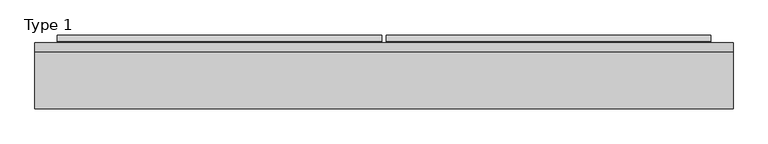
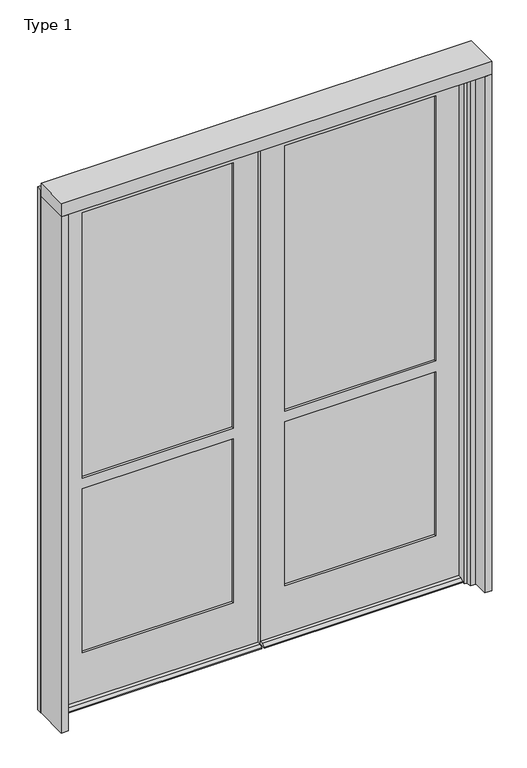
"""IFC4 building model written with IfcOpenShell, lengths in millimetres: plate geometry, Type 1."""

import ifcopenshell
import ifcopenshell.guid

model = None  # the IFC model being written
_history = None  # IfcOwnerHistory: only IFC2X3 demands one
_inside = {}  # id of a spatial element -> (the spatial element, [elements in it])
_under = {}  # id of a project, library or spatial element -> (it, [spatial elements below it])
_declared = {}  # id of a project -> (the project, [libraries it declares])
_typed = {}  # id of a type object -> (the type object, [elements of that type])
_made_of = {}  # id of a material, layer set ... -> (it, [elements and type objects made of it])


def new_model(schema):
    """Start an empty IFC model of exactly this schema.

    Asked for "IFC4X3", IfcOpenShell would pick the latest addendum, in which some entities
    have other attributes; the version numbers below select the first issue.
    IFC2X3 requires an IfcOwnerHistory on every rooted entity: one is made here for all.
    """
    global model, _history
    if schema == "IFC4X3":
        model = ifcopenshell.file(schema_version=(4, 3, 0, 0))
    else:
        model = ifcopenshell.file(schema=schema)
    _inside.clear()
    _under.clear()
    _declared.clear()
    _typed.clear()
    _made_of.clear()
    _history = None
    if model.schema == "IFC2X3":
        org = make("IfcOrganization", Name="unknown")
        user = make(
            "IfcPersonAndOrganization",
            ThePerson=make("IfcPerson", FamilyName="unknown"),
            TheOrganization=org,
        )
        app = make(
            "IfcApplication",
            ApplicationDeveloper=org,
            Version="unknown",
            ApplicationFullName="unknown",
            ApplicationIdentifier="unknown",
        )
        _history = make(
            "IfcOwnerHistory",
            OwningUser=user,
            OwningApplication=app,
            ChangeAction="ADDED",
            CreationDate=0,
        )
    return model


def make(cls, **values):
    """One entity of the class cls with the attributes given. An attribute that is None is left unset."""
    return model.create_entity(
        cls, **{name: value for name, value in values.items() if value is not None}
    )


def rooted(cls, **values):
    """An entity with a GlobalId (a new one), such as an element, a storey or a relation."""
    return make(cls, GlobalId=ifcopenshell.guid.new(), OwnerHistory=_history, **values)


def si_unit(unit_type, name, prefix=None):
    """IfcSIUnit, for example si_unit("LENGTHUNIT", "METRE", prefix="MILLI")."""
    return make("IfcSIUnit", UnitType=unit_type, Prefix=prefix, Name=name)


def assignment(units):
    """IfcUnitAssignment: the units of a project."""
    return None if units is None else make("IfcUnitAssignment", Units=units)


def point(xyz):
    """IfcCartesianPoint."""
    return None if xyz is None else make("IfcCartesianPoint", Coordinates=xyz)


def direction(xyz):
    """IfcDirection."""
    return None if xyz is None else make("IfcDirection", DirectionRatios=xyz)


def frame(location, z_axis=None, x_axis=None):
    """IfcAxis2Placement3D, a coordinate frame: its origin and axes. An axis left out is left unset."""
    return make(
        "IfcAxis2Placement3D",
        Location=point(location),
        Axis=direction(z_axis),
        RefDirection=direction(x_axis),
    )


def origin():
    """The frame at (0, 0, 0) with its axes left unset."""
    return frame((0.0, 0.0, 0.0))


def place(relative_to, where):
    """IfcLocalPlacement: puts the frame where relative to a parent placement (None: the world)."""
    return make(
        "IfcLocalPlacement", PlacementRelTo=relative_to, RelativePlacement=where
    )


def context(
    kind, dimensions, precision=None, world=None, true_north=None, identifier=None
):
    """IfcGeometricRepresentationContext, for example the 3D "Model" context."""
    return make(
        "IfcGeometricRepresentationContext",
        ContextIdentifier=identifier,
        ContextType=kind,
        CoordinateSpaceDimension=dimensions,
        Precision=precision,
        WorldCoordinateSystem=world,
        TrueNorth=true_north,
    )


def project(units=None, contexts=None):
    """IfcProject with its units and contexts."""
    return rooted(
        "IfcProject",
        Name="project",
        RepresentationContexts=contexts,
        UnitsInContext=assignment(units),
    )


def spatial(cls, under=None, at=None, **own):
    """A site, building, storey or space (cls), placed at a placement, below another one or the project."""
    s = rooted(cls, ObjectPlacement=at, **own)
    if under is not None:
        _under.setdefault(under.id(), (under, []))[1].append(s)
    return s


def polyline(points):
    """IfcPolyline through the points."""
    return make("IfcPolyline", Points=[point(p) for p in points])


def circle_curve(where, radius):
    """IfcCircle in the frame where."""
    return make("IfcCircle", Position=where, Radius=radius)


def outline(outer, holes=None, kind="AREA"):
    """IfcArbitraryClosedProfileDef: a profile drawn as a closed curve; with holes, ...WithVoids."""
    if holes is None:
        return make("IfcArbitraryClosedProfileDef", ProfileType=kind, OuterCurve=outer)
    return make(
        "IfcArbitraryProfileDefWithVoids",
        ProfileType=kind,
        OuterCurve=outer,
        InnerCurves=holes,
    )


def extrude(swept, where, along, depth):
    """IfcExtrudedAreaSolid: the profile swept, set in the frame where, extruded along a direction by depth."""
    return make(
        "IfcExtrudedAreaSolid",
        SweptArea=swept,
        Position=where,
        ExtrudedDirection=direction(along),
        Depth=depth,
    )


def faces_of(points, faces, orient=None, outer=None):
    """IfcFace entities. A face is a list of loops; a loop is a list of indices into points, from 0.

    orient and outer hold one flag for each loop. By default every Orientation is true, the
    first loop of a face is its IfcFaceOuterBound and the others are IfcFaceBound.
    """
    made = []
    for i, loops in enumerate(faces):
        bounds = []
        for j, loop in enumerate(loops):
            is_outer = j == 0 if outer is None else outer[i][j]
            bounds.append(
                make(
                    "IfcFaceOuterBound" if is_outer else "IfcFaceBound",
                    Bound=make("IfcPolyLoop", Polygon=[points[k] for k in loop]),
                    Orientation=True if orient is None else orient[i][j],
                )
            )
        made.append(make("IfcFace", Bounds=bounds))
    return made


def faceted_brep(points, faces, orient=None, outer=None, voids=None):
    """IfcFacetedBrep: a solid bounded by flat faces; with voids (closed shells), ...WithVoids."""
    shared = [point(p) for p in points]
    hull = make("IfcClosedShell", CfsFaces=faces_of(shared, faces, orient, outer))
    if voids is None:
        return make("IfcFacetedBrep", Outer=hull)
    return make(
        "IfcFacetedBrepWithVoids",
        Outer=hull,
        Voids=[
            make(cls, CfsFaces=faces_of(shared, fs, o, b)) for cls, fs, o, b in voids
        ],
    )


def shape(context_of_items, identifier, shape_type, items):
    """IfcShapeRepresentation: the items that make up one representation, for example the "Body"."""
    return make(
        "IfcShapeRepresentation",
        ContextOfItems=context_of_items,
        RepresentationIdentifier=identifier,
        RepresentationType=shape_type,
        Items=items,
    )


def source(mapping_origin, context_of_items, identifier, shape_type, items):
    """IfcRepresentationMap: a shape defined once, which mapped items show again and again."""
    return make(
        "IfcRepresentationMap",
        MappingOrigin=mapping_origin,
        MappedRepresentation=shape(context_of_items, identifier, shape_type, items),
    )


def transform(
    local_origin,
    x_axis=None,
    y_axis=None,
    z_axis=None,
    scale=None,
    scale2=None,
    scale3=None,
    uniform=True,
):
    """IfcCartesianTransformationOperator3D, or its non-uniform kind. x_axis, y_axis, z_axis: its Axis1, 2, 3."""
    if uniform:
        return make(
            "IfcCartesianTransformationOperator3D",
            Axis1=direction(x_axis),
            Axis2=direction(y_axis),
            LocalOrigin=point(local_origin),
            Scale=scale,
            Axis3=direction(z_axis),
        )
    return make(
        "IfcCartesianTransformationOperator3DnonUniform",
        Axis1=direction(x_axis),
        Axis2=direction(y_axis),
        LocalOrigin=point(local_origin),
        Scale=scale,
        Axis3=direction(z_axis),
        Scale2=scale2,
        Scale3=scale3,
    )


def mapped(mapping_source, mapping_target):
    """IfcMappedItem: shows the shape of a source again, moved by a transform."""
    return make(
        "IfcMappedItem", MappingSource=mapping_source, MappingTarget=mapping_target
    )


def made_of(thing, what):
    """Note that an element or type object is made of a material, layer set ...; save() writes the relation."""
    if what is not None:
        _made_of.setdefault(what.id(), (what, []))[1].append(thing)
    return thing


def element(
    cls,
    number,
    at=None,
    inside=None,
    cuts=None,
    type_object=None,
    material=None,
    context=None,
    identifier="Body",
    shape_type=None,
    held_by="IfcProductDefinitionShape",
    body=None,
    shapes=None,
    **own,
):
    """One element of the class cls, such as IfcWall. Its Tag is "e" and its number.

    at: its placement. inside: the storey or other place that contains it. cuts: it is an
    opening in that element (IfcRelVoidsElement). A single representation is given by context,
    identifier, shape_type and body (its items); several are given by shapes. held_by: the class
    of the entity that holds the representations. save() writes the other relations.
    """
    e = rooted(cls, Tag="e%d" % number, ObjectPlacement=at, **own)
    if body is not None:
        shapes = [shape(context, identifier, shape_type, body)]
    if shapes is not None:
        e.Representation = make(held_by, Representations=shapes)
    if inside is not None:
        _inside.setdefault(inside.id(), (inside, []))[1].append(e)
    if cuts is not None:
        rooted(
            "IfcRelVoidsElement", RelatingBuildingElement=cuts, RelatedOpeningElement=e
        )
    if type_object is not None:
        _typed.setdefault(type_object.id(), (type_object, []))[1].append(e)
    return made_of(e, material)


def aggregate(whole, parts):
    """IfcRelAggregates: a whole, such as a stair, and the parts it consists of."""
    return rooted("IfcRelAggregates", RelatingObject=whole, RelatedObjects=parts)


def save(model, path):
    """Write the relations noted so far, then the file.

    IfcRelAggregates (storeys below a building ...), IfcRelContainedInSpatialStructure (elements
    in a storey), IfcRelDefinesByType, IfcRelAssociatesMaterial and IfcRelDeclares: one each for
    every whole, place, type object, material and project.
    """
    for whole, parts in _under.values():
        aggregate(whole, parts)
    for where, things in _inside.values():
        rooted(
            "IfcRelContainedInSpatialStructure",
            RelatedElements=things,
            RelatingStructure=where,
        )
    for kind, things in _typed.values():
        rooted("IfcRelDefinesByType", RelatedObjects=things, RelatingType=kind)
    for what, things in _made_of.values():
        rooted("IfcRelAssociatesMaterial", RelatedObjects=things, RelatingMaterial=what)
    for by, libraries in _declared.values():
        rooted("IfcRelDeclares", RelatingContext=by, RelatedDefinitions=libraries)
    model.write(path)


def plane_surface(at):
    """IfcPlane: the flat surface through the origin of the frame at, square to its z axis."""
    return make("IfcPlane", Position=at)


def cylinder_surface(at, radius):
    """IfcCylindricalSurface: all points at the distance radius from the z axis of the frame at."""
    return make("IfcCylindricalSurface", Position=at, Radius=radius)


def advanced_brep(points, edges, surfaces, faces):
    """IfcAdvancedBrep: a solid bounded by faces that lie on surfaces and meet in shared edges.

    An edge is (start, end): straight between two places in points (the first is 0);
    or (start, end, curve); or (start, end, curve, False) where it runs against its curve.
    A face is (place in surfaces, loops), or (place, loops, False) where it looks against
    its surface's normal. A loop lists edges by number (the first is 1), with a minus sign
    where the edge is run from its end to its start. The first loop is the outer one.
    """
    corners = [point(p) for p in points]
    vertices = [make("IfcVertexPoint", VertexGeometry=c) for c in corners]
    made = []
    for start, end, *more in edges:
        made.append(
            make(
                "IfcEdgeCurve",
                EdgeStart=vertices[start],
                EdgeEnd=vertices[end],
                EdgeGeometry=more[0] if more else make("IfcPolyline", Points=[corners[start], corners[end]]),
                SameSense=more[1] if len(more) > 1 else True,
            )
        )
    hull = []
    for where, loops, *sense in faces:
        bounds = []
        for j, loop in enumerate(loops):
            ring = [make("IfcOrientedEdge", EdgeElement=made[abs(k) - 1], Orientation=k > 0) for k in loop]
            bounds.append(
                make(
                    "IfcFaceOuterBound" if j == 0 else "IfcFaceBound",
                    Bound=make("IfcEdgeLoop", EdgeList=ring),
                    Orientation=True,
                )
            )
        hull.append(make("IfcAdvancedFace", Bounds=bounds, FaceSurface=surfaces[where], SameSense=sense[0] if sense else True))
    return make("IfcAdvancedBrep", Outer=make("IfcClosedShell", CfsFaces=hull))


def type_1_fac7b6b5(model_context):
    return source(origin(), model_context, "Body", "SolidModel", [
        extrude(outline(polyline([(-971.5266225, -155.9814), (-971.5266225, 2.286), (-939.7766225, 2.286), (-939.7766225, -155.9814), (-971.5266225, -155.9814)])), frame((0.0, 0.0, -57.15), z_axis=(0.0, 0.0, 1.0), x_axis=(1.0, 0.0, 0.0)), (0.0, 0.0, 1.0), 2463.8),
        extrude(outline(polyline([(971.5266225, -155.9814), (939.7766225, -155.9814), (939.7766225, 2.286), (971.5266225, 2.286), (971.5266225, -155.9814)])), frame((0.0, 0.0, -57.15), z_axis=(0.0, 0.0, 1.0), x_axis=(1.0, 0.0, 0.0)), (0.0, 0.0, 1.0), 2463.8),
        advanced_brep(
        [(-5.5889985, -18.3554688, 2377.28125), (-5.5889985, 26.0945312, 2377.28125), (-911.89707, 26.0945312, 2377.28125), (-909.4195008, -13.6829574, 2377.28125), (-909.4195008, -18.3554688, 2377.28125), (-5.5889985, 26.0945313, -57.15), (-5.5889985, -18.3554687, -57.15), (-5.5889985, -51.6930595, -57.15), (-909.4195008, -51.6930595, -57.15), (-909.4195008, -13.6829574, -57.15), (-911.89707, 26.0945313, -57.15), (-909.4195008, 26.0945313, -57.15), (-909.4195008, 49.9070312, -57.15), (-5.5889985, 49.9070312, -57.15), (-5.5889985, 26.0945313, -44.45), (-909.4195008, 26.0945313, -44.45), (-797.7378, 26.0945312, 2282.028075), (-797.7378, 26.0945313, 1016.0), (-115.8875, 26.0945313, 1016.0), (-115.8875, 26.0945312, 2282.028075), (-797.7378, 26.0945313, 182.5625), (-115.8875, 26.0945313, 182.5625), (-115.8875, 26.0945313, 965.2), (-797.7378, 26.0945313, 965.2), (-909.4195008, -18.3554687, 182.5625), (-909.4195008, -18.3554687, -44.45), (-5.5889985, -18.3554687, -44.45), (-909.4195008, -18.3554688, 2282.028075), (-909.12847, -18.3554688, 2282.028075), (-909.12847, -18.3554687, 182.5625), (-115.8875, -18.3554688, 2282.028075), (-115.8875, -18.3554687, 1016.0), (-797.7378, -18.3554687, 1016.0), (-797.7378, -18.3554688, 2282.028075), (-115.8875, -18.3554687, 182.5625), (-797.7378, -18.3554687, 182.5625), (-797.7378, -18.3554687, 965.2), (-115.8875, -18.3554687, 965.2), (-115.8875, -8.8304687, 182.5625), (-115.8875, -8.8304687, 965.2), (-115.8875, -8.8304688, 2282.028075), (-115.8875, -8.8304687, 1016.0), (-108.74375, -8.8304687, 175.41875), (-804.88155, -8.8304687, 175.41875), (-804.88155, -8.8304687, 972.34375), (-108.74375, -8.8304687, 972.34375), (-797.7378, -8.8304687, 182.5625), (-797.7378, -8.8304687, 965.2), (-804.88155, -8.8304688, 2289.171825), (-108.74375, -8.8304688, 2289.171825), (-108.74375, -8.8304687, 1008.85625), (-804.88155, -8.8304687, 1008.85625), (-797.7378, -8.8304688, 2282.028075), (-797.7378, -8.8304687, 1016.0), (-108.74375, 16.5695312, 2289.171825), (-108.74375, 16.5695313, 1008.85625), (-108.74375, 16.5695313, 972.34375), (-108.74375, 16.5695313, 175.41875), (-804.88155, 16.5695313, 175.41875), (-804.88155, 16.5695313, 972.34375), (-115.8875, 16.5695313, 182.5625), (-797.7378, 16.5695313, 182.5625), (-797.7378, 16.5695313, 965.2), (-115.8875, 16.5695313, 965.2), (-804.88155, 16.5695312, 2289.171825), (-804.88155, 16.5695313, 1008.85625), (-797.7378, 16.5695312, 2282.028075), (-115.8875, 16.5695312, 2282.028075), (-115.8875, 16.5695313, 1016.0), (-797.7378, 16.5695313, 1016.0), (-909.4195008, 33.2191859, -44.45), (-909.4195008, 49.9070312, -52.2316701), (-909.4195008, -51.6930595, -52.2316701), (-909.4195008, -35.0052141, -44.45), (-909.4195008, -13.6829574, 182.5625), (-5.5889985, -35.0052141, -44.45), (-5.5889985, -51.6930595, -52.2316701), (-5.5889985, 49.9070312, -52.2316701), (-5.5889985, 33.2191859, -44.45), (-909.4195008, -13.6829574, 2282.028075)],
        [
            (0, 1, circle_curve(frame((-65.3089556, 3.8695312, 2377.28125), z_axis=(0.0, 0.0, 1.0), x_axis=(0.0, -1.0, 0.0)), 63.7214556)),
            (1, 2),
            (2, 3),
            (3, 4),
            (4, 0),
            (5, 6, circle_curve(frame((-65.3089556, 3.8695313, -57.15), z_axis=(0.0, 0.0, -1.0), x_axis=(0.0, -1.0, 0.0)), 63.7214556)),
            (6, 7),
            (7, 8),
            (8, 9),
            (9, 10),
            (10, 11),
            (11, 12),
            (12, 13),
            (13, 5),
            (10, 2),
            (1, 14),
            (14, 15),
            (15, 11),
            (16, 17),
            (17, 18),
            (18, 19),
            (19, 16),
            (20, 21),
            (21, 22),
            (22, 23),
            (23, 20),
            (24, 25),
            (25, 26),
            (26, 0),
            (4, 27),
            (27, 28),
            (28, 29),
            (29, 24),
            (30, 31),
            (31, 32),
            (32, 33),
            (33, 30),
            (34, 35),
            (35, 36),
            (36, 37),
            (37, 34),
            (38, 34),
            (37, 39),
            (39, 38),
            (30, 40),
            (40, 41),
            (41, 31),
            (42, 43),
            (43, 44),
            (44, 45),
            (45, 42),
            (46, 38),
            (39, 47),
            (47, 46),
            (48, 49),
            (49, 50),
            (50, 51),
            (51, 48),
            (40, 52),
            (52, 53),
            (53, 41),
            (49, 54),
            (54, 55),
            (55, 50),
            (56, 57),
            (57, 42),
            (45, 56),
            (58, 57),
            (56, 59),
            (59, 58),
            (60, 61),
            (61, 62),
            (62, 63),
            (63, 60),
            (54, 64),
            (64, 65),
            (65, 55),
            (66, 67),
            (67, 68),
            (68, 69),
            (69, 66),
            (21, 60),
            (63, 22),
            (67, 19),
            (18, 68),
            (26, 6),
            (5, 14),
            (15, 70),
            (70, 71),
            (71, 12),
            (8, 72),
            (72, 73),
            (73, 25),
            (24, 74),
            (74, 9),
            (26, 75),
            (75, 76),
            (76, 7),
            (13, 77),
            (77, 78),
            (78, 14),
            (20, 61),
            (58, 43),
            (46, 35),
            (29, 74),
            (73, 75),
            (72, 76),
            (71, 77),
            (70, 78),
            (47, 36),
            (52, 33),
            (32, 53),
            (59, 44),
            (64, 48),
            (51, 65),
            (23, 62),
            (16, 66),
            (69, 17),
            (28, 79),
            (79, 3),
            (79, 27),
        ],
        [
            plane_surface(frame((0.0, 3.8695312, 2377.28125), z_axis=(0.0, 0.0, 1.0), x_axis=(0.0, -1.0, 0.0))),
            plane_surface(frame((0.0, 3.8695313, -57.15), z_axis=(0.0, 0.0, -1.0), x_axis=(0.0, -1.0, 0.0))),
            plane_surface(frame((-5.5889985, 26.0945312, 2377.28125), z_axis=(0.0, 1.0, 0.0), x_axis=(0.0, 0.0, -1.0))),
            plane_surface(frame((-115.8875, -18.3554688, 2377.28125), z_axis=(0.0, -1.0, 0.0), x_axis=(0.0, 0.0, -1.0))),
            plane_surface(frame((-115.8875, -8.8304688, 2377.28125), z_axis=(-1.0, 0.0, 0.0), x_axis=(0.0, 0.0, -1.0))),
            plane_surface(frame((-108.74375, -8.8304688, 2377.28125), z_axis=(0.0, 1.0, 0.0), x_axis=(0.0, 0.0, -1.0))),
            plane_surface(frame((-108.74375, 16.5695312, 2377.28125), z_axis=(-1.0, 0.0, 0.0), x_axis=(0.0, 0.0, -1.0))),
            plane_surface(frame((-115.8875, 16.5695312, 2377.28125), z_axis=(0.0, -1.0, 0.0), x_axis=(0.0, 0.0, -1.0))),
            plane_surface(frame((-115.8875, 26.0945312, 2377.28125), z_axis=(-1.0, 0.0, 0.0), x_axis=(0.0, 0.0, -1.0))),
            cylinder_surface(frame((-65.3089556, 3.8695312, 2377.28125), z_axis=(0.0, 0.0, 1.0), x_axis=(0.0, -1.0, 0.0)), 63.7214556),
            plane_surface(frame((-909.4195008, 3.8695313, -57.15), z_axis=(-1.0, 0.0, 0.0), x_axis=(0.0, -1.0, 0.0))),
            plane_surface(frame((-5.5889985, 3.8695313, -57.15), z_axis=(1.0, 0.0, 0.0), x_axis=(0.0, -1.0, 0.0))),
            plane_surface(frame((-909.4195008, 16.5695312, 182.5625), z_axis=(0.0, 0.0, 1.0), x_axis=(1.0, 0.0, 0.0))),
            plane_surface(frame((-909.4195008, -8.8304688, 175.41875), z_axis=(0.0, 0.0, 1.0), x_axis=(1.0, 0.0, 0.0))),
            plane_surface(frame((-909.4195008, -18.3554687, 182.5625), z_axis=(0.0, 0.0, 1.0), x_axis=(1.0, 0.0, 0.0))),
            plane_surface(frame((-909.4195008, -35.0052141, -44.45), z_axis=(0.0, 0.0, 1.0), x_axis=(1.0, 0.0, 0.0))),
            plane_surface(frame((-909.4195008, -51.6930595, -52.2316701), z_axis=(0.0, -0.42261826174137795, 0.9063077870363336), x_axis=(1.0, 0.0, 0.0))),
            plane_surface(frame((-909.4195008, -51.6930595, -57.15), z_axis=(0.0, -1.0, 0.0), x_axis=(1.0, 0.0, 0.0))),
            plane_surface(frame((-909.4195008, 49.9070312, -52.2316701), z_axis=(0.0, 1.0, 0.0), x_axis=(1.0, 0.0, 0.0))),
            plane_surface(frame((-909.4195008, 33.2191859, -44.45), z_axis=(0.0, 0.42261826174125344, 0.9063077870363916), x_axis=(1.0, 0.0, 0.0))),
            plane_surface(frame((-909.4195008, 26.0945312, -44.45), z_axis=(0.0, 0.0, 1.0), x_axis=(1.0, 0.0, 0.0))),
            plane_surface(frame((-797.7378, -18.3554688, 2377.28125), z_axis=(1.0, 0.0, 0.0), x_axis=(0.0, 0.0, -1.0))),
            plane_surface(frame((-804.88155, -8.8304688, 2377.28125), z_axis=(1.0, 0.0, 0.0), x_axis=(0.0, 0.0, -1.0))),
            plane_surface(frame((-797.7378, 16.5695312, 2377.28125), z_axis=(1.0, 0.0, 0.0), x_axis=(0.0, 0.0, -1.0))),
            plane_surface(frame((-911.89707, 26.0945312, 2377.28125), z_axis=(-0.9980658706879181, -0.06216524566000013, 0.0), x_axis=(0.0, 0.0, -1.0))),
            plane_surface(frame((-909.4195008, 3.8695312, 2438.4), z_axis=(-1.0, 0.0, 0.0), x_axis=(0.0, -1.0, 0.0))),
            plane_surface(frame((-5.5889985, 16.5695312, 2282.028075), z_axis=(0.0, 0.0, -1.0), x_axis=(-1.0, 0.0, 0.0))),
            plane_surface(frame((-5.5889985, -8.8304688, 2289.171825), z_axis=(0.0, 0.0, -1.0), x_axis=(-1.0, 0.0, 0.0))),
            plane_surface(frame((-5.5889985, -18.3554688, 2282.028075), z_axis=(0.0, 0.0, -1.0), x_axis=(-1.0, 0.0, 0.0))),
            plane_surface(frame((-909.12847, -18.3554688, 1016.0), z_axis=(0.0, 0.0, 1.0), x_axis=(1.0, 0.0, 0.0))),
            plane_surface(frame((-909.12847, -8.8304688, 1008.85625), z_axis=(0.0, 0.0, 1.0), x_axis=(1.0, 0.0, 0.0))),
            plane_surface(frame((-909.12847, 16.5695312, 1016.0), z_axis=(0.0, 0.0, 1.0), x_axis=(1.0, 0.0, 0.0))),
            plane_surface(frame((-909.12847, 26.0945312, 965.2), z_axis=(0.0, 0.0, -1.0), x_axis=(1.0, 0.0, 0.0))),
            plane_surface(frame((-909.12847, 16.5695312, 972.34375), z_axis=(0.0, 0.0, -1.0), x_axis=(1.0, 0.0, 0.0))),
            plane_surface(frame((-909.12847, -8.8304688, 965.2), z_axis=(0.0, 0.0, -1.0), x_axis=(1.0, 0.0, 0.0))),
        ],
        [
            (0, [[1, 2, 3, 4, 5]]),
            (1, [[6, 7, 8, 9, 10, 11, 12, 13, 14]]),
            (2, [[15, -2, 16, 17, 18, -11], [19, 20, 21, 22], [23, 24, 25, 26]]),
            (3, [[27, 28, 29, -5, 30, 31, 32, 33], [34, 35, 36, 37], [38, 39, 40, 41]]),
            (4, [[42, -41, 43, 44]]),
            (4, [[45, 46, 47, -34]]),
            (5, [[48, 49, 50, 51], [52, -44, 53, 54]]),
            (5, [[55, 56, 57, 58], [59, 60, 61, -46]]),
            (6, [[-56, 62, 63, 64]]),
            (6, [[65, 66, -51, 67]]),
            (7, [[68, -65, 69, 70], [71, 72, 73, 74]]),
            (7, [[75, 76, 77, -63], [78, 79, 80, 81]]),
            (8, [[82, -74, 83, -24]]),
            (8, [[84, -21, 85, -79]]),
            (9, [[-16, -1, -29, 86, -6, 87]]),
            (10, [[88, 89, 90, -12, -18]]),
            (10, [[91, 92, 93, -27, 94, 95, -9]]),
            (11, [[96, 97, 98, -7, -86]]),
            (11, [[99, 100, 101, -87, -14]]),
            (12, [[-82, -23, 102, -71]]),
            (13, [[-66, -68, 103, -48]]),
            (14, [[-42, -52, 104, -38]]),
            (14, [[-94, -33, 105]]),
            (15, [[-93, 106, -96, -28]]),
            (16, [[-92, 107, -97, -106]]),
            (17, [[-91, -8, -98, -107]]),
            (18, [[-90, 108, -99, -13]]),
            (19, [[-89, 109, -100, -108]]),
            (20, [[-88, -17, -101, -109]]),
            (21, [[-104, -54, 110, -39]]),
            (21, [[111, -36, 112, -60]]),
            (22, [[-49, -103, -70, 113]]),
            (22, [[-76, 114, -58, 115]]),
            (23, [[-102, -26, 116, -72]]),
            (23, [[117, -81, 118, -19]]),
            (24, [[-15, -10, -95, -105, -32, 119, 120, -3]]),
            (25, [[-30, -4, -120, 121]]),
            (26, [[-22, -84, -78, -117]]),
            (27, [[-62, -55, -114, -75]]),
            (28, [[-59, -45, -37, -111]]),
            (28, [[-31, -121, -119]]),
            (29, [[-61, -112, -35, -47]]),
            (30, [[-57, -64, -77, -115]]),
            (31, [[-20, -118, -80, -85]]),
            (32, [[-25, -83, -73, -116]]),
            (33, [[-50, -113, -69, -67]]),
            (34, [[-53, -43, -40, -110]]),
        ],
    ),
        advanced_brep(
        [(909.4195008, -18.3554688, 2377.28125), (912.1881008, 26.0945312, 2377.28125), (5.5889985, 26.0945312, 2377.28125), (5.5889985, -18.3554688, 2377.28125), (912.1881008, 26.0945313, -57.15), (909.4195008, 26.0945313, -57.15), (909.4195008, 26.0945313, -44.45), (5.5889985, 26.0945313, -44.45), (797.7378, 26.0945313, 1016.0), (797.7378, 26.0945312, 2282.028075), (115.8875, 26.0945312, 2282.028075), (115.8875, 26.0945313, 1016.0), (797.7378, 26.0945313, 182.5625), (797.7378, 26.0945313, 965.2), (115.8875, 26.0945313, 965.2), (115.8875, 26.0945313, 182.5625), (797.7378, 16.5695312, 2282.028075), (115.8875, 16.5695312, 2282.028075), (804.88155, 16.5695313, 1008.85625), (804.88155, 16.5695312, 2289.171825), (108.74375, 16.5695312, 2289.171825), (108.74375, 16.5695313, 1008.85625), (797.7378, 16.5695313, 1016.0), (115.8875, 16.5695313, 1016.0), (804.88155, 16.5695313, 175.41875), (804.88155, 16.5695313, 972.34375), (108.74375, 16.5695313, 972.34375), (108.74375, 16.5695313, 175.41875), (797.7378, 16.5695313, 965.2), (797.7378, 16.5695313, 182.5625), (115.8875, 16.5695313, 182.5625), (115.8875, 16.5695313, 965.2), (804.88155, -8.8304688, 2289.171825), (108.74375, -8.8304688, 2289.171825), (804.88155, -8.8304687, 1008.85625), (108.74375, -8.8304687, 1008.85625), (797.7378, -8.8304687, 1016.0), (797.7378, -8.8304688, 2282.028075), (115.8875, -8.8304688, 2282.028075), (115.8875, -8.8304687, 1016.0), (804.88155, -8.8304687, 972.34375), (804.88155, -8.8304687, 175.41875), (108.74375, -8.8304687, 175.41875), (108.74375, -8.8304687, 972.34375), (797.7378, -8.8304687, 182.5625), (797.7378, -8.8304687, 965.2), (115.8875, -8.8304687, 965.2), (115.8875, -8.8304687, 182.5625), (797.7378, -18.3554688, 2282.028075), (115.8875, -18.3554688, 2282.028075), (909.4195008, -18.3554687, -44.45), (5.5889985, -18.3554687, -44.45), (797.7378, -18.3554687, 1016.0), (115.8875, -18.3554687, 1016.0), (797.7378, -18.3554687, 965.2), (797.7378, -18.3554687, 182.5625), (115.8875, -18.3554687, 182.5625), (115.8875, -18.3554687, 965.2), (909.4195008, -35.0052141, -44.45), (909.4195008, -51.6930595, -52.2316701), (909.4195008, -51.6930595, -57.15), (909.4195008, -18.3554687, -57.15), (909.4195008, 49.9070313, -57.15), (909.4195008, 49.9070313, -52.2316701), (909.4195008, 33.2191859, -44.45), (5.5889985, 33.2191859, -44.45), (5.5889985, 49.9070313, -52.2316701), (5.5889985, 49.9070313, -57.15), (5.5889985, 26.0945313, -57.15), (5.5889985, -51.6930595, -57.15), (5.5889985, -51.6930595, -52.2316701), (5.5889985, -35.0052141, -44.45), (5.5889985, -18.3554687, -57.15)],
        [
            (0, 1),
            (1, 2),
            (2, 3, circle_curve(frame((65.3089556, 3.8695312, 2377.28125), z_axis=(0.0, 0.0, 1.0), x_axis=(0.0, -1.0, 0.0)), 63.7214556)),
            (3, 0),
            (1, 4),
            (4, 5),
            (5, 6),
            (6, 7),
            (7, 2),
            (8, 9),
            (9, 10),
            (10, 11),
            (11, 8),
            (12, 13),
            (13, 14),
            (14, 15),
            (15, 12),
            (9, 16),
            (16, 17),
            (17, 10),
            (18, 19),
            (19, 20),
            (20, 21),
            (21, 18),
            (16, 22),
            (22, 23),
            (23, 17),
            (24, 25),
            (25, 26),
            (26, 27),
            (27, 24),
            (28, 29),
            (29, 30),
            (30, 31),
            (31, 28),
            (19, 32),
            (32, 33),
            (33, 20),
            (32, 34),
            (34, 35),
            (35, 33),
            (36, 37),
            (37, 38),
            (38, 39),
            (39, 36),
            (40, 41),
            (41, 42),
            (42, 43),
            (43, 40),
            (44, 45),
            (45, 46),
            (46, 47),
            (47, 44),
            (37, 48),
            (48, 49),
            (49, 38),
            (50, 0),
            (3, 51),
            (51, 50),
            (48, 52),
            (52, 53),
            (53, 49),
            (54, 55),
            (55, 56),
            (56, 57),
            (57, 54),
            (50, 58),
            (58, 59),
            (59, 60),
            (60, 61),
            (61, 50),
            (62, 63),
            (63, 64),
            (64, 6),
            (5, 62),
            (7, 65),
            (65, 66),
            (66, 67),
            (67, 68),
            (68, 7),
            (69, 70),
            (70, 71),
            (71, 51),
            (51, 72),
            (72, 69),
            (29, 12),
            (15, 30),
            (41, 24),
            (27, 42),
            (55, 44),
            (47, 56),
            (71, 58),
            (70, 59),
            (69, 60),
            (72, 68, circle_curve(frame((65.3089556, 3.8695313, -57.15), z_axis=(0.0, 0.0, -1.0), x_axis=(0.0, -1.0, 0.0)), 63.7214556)),
            (67, 62),
            (4, 61),
            (66, 63),
            (65, 64),
            (8, 22),
            (28, 13),
            (18, 34),
            (40, 25),
            (36, 52),
            (54, 45),
            (39, 53),
            (57, 46),
            (43, 26),
            (31, 14),
            (11, 23),
            (21, 35),
        ],
        [
            plane_surface(frame((5.5889985, -18.3554688, 2377.28125), z_axis=(0.0, 0.0, 1.0), x_axis=(1.0, 0.0, 0.0))),
            plane_surface(frame((5.5889985, 26.0945312, 2377.28125), z_axis=(0.0, 1.0, 0.0), x_axis=(1.0, 0.0, 0.0))),
            plane_surface(frame((5.5889985, 26.0945312, 2282.028075), z_axis=(0.0, 0.0, -1.0), x_axis=(1.0, 0.0, 0.0))),
            plane_surface(frame((5.5889985, 16.5695312, 2282.028075), z_axis=(0.0, -1.0, 0.0), x_axis=(1.0, 0.0, 0.0))),
            plane_surface(frame((5.5889985, 16.5695312, 2289.171825), z_axis=(0.0, 0.0, -1.0), x_axis=(1.0, 0.0, 0.0))),
            plane_surface(frame((5.5889985, -8.8304688, 2289.171825), z_axis=(0.0, 1.0, 0.0), x_axis=(1.0, 0.0, 0.0))),
            plane_surface(frame((5.5889985, -8.8304688, 2282.028075), z_axis=(0.0, 0.0, -1.0), x_axis=(1.0, 0.0, 0.0))),
            plane_surface(frame((5.5889985, -18.3554688, 2282.028075), z_axis=(0.0, -1.0, 0.0), x_axis=(1.0, 0.0, 0.0))),
            plane_surface(frame((909.4195008, 3.8695313, -57.15), z_axis=(1.0, 0.0, 0.0), x_axis=(0.0, -1.0, 0.0))),
            plane_surface(frame((5.5889985, 3.8695313, -57.15), z_axis=(-1.0, 0.0, 0.0), x_axis=(0.0, -1.0, 0.0))),
            plane_surface(frame((909.4195008, 26.0945313, 182.5625), z_axis=(0.0, 0.0, 1.0), x_axis=(-1.0, 0.0, 0.0))),
            plane_surface(frame((909.4195008, 16.5695313, 175.41875), z_axis=(0.0, 0.0, 1.0), x_axis=(-1.0, 0.0, 0.0))),
            plane_surface(frame((909.4195008, -8.8304688, 182.5625), z_axis=(0.0, 0.0, 1.0), x_axis=(-1.0, 0.0, 0.0))),
            plane_surface(frame((909.4195008, -18.3554687, -44.45), z_axis=(0.0, 0.0, 1.0), x_axis=(-1.0, 0.0, 0.0))),
            plane_surface(frame((909.4195008, -35.0052141, -44.45), z_axis=(0.0, -0.42261826174092587, 0.9063077870365445), x_axis=(-1.0, 0.0, 0.0))),
            plane_surface(frame((909.4195008, -51.6930595, -52.2316701), z_axis=(0.0, -1.0, 0.0), x_axis=(-1.0, 0.0, 0.0))),
            plane_surface(frame((909.4195008, -51.6930595, -57.15), z_axis=(0.0, 0.0, -1.0), x_axis=(-1.0, 0.0, 0.0))),
            plane_surface(frame((909.4195008, 49.9070313, -57.15), z_axis=(0.0, 1.0, 0.0), x_axis=(-1.0, 0.0, 0.0))),
            plane_surface(frame((909.4195008, 49.9070313, -52.2316701), z_axis=(0.0, 0.42261826174075007, 0.9063077870366264), x_axis=(-1.0, 0.0, 0.0))),
            plane_surface(frame((909.4195008, 33.2191859, -44.45), z_axis=(0.0, 0.0, 1.0), x_axis=(-1.0, 0.0, 0.0))),
            plane_surface(frame((797.7378, 26.0945312, 2377.28125), z_axis=(-1.0, 0.0, 0.0), x_axis=(0.0, 0.0, -1.0))),
            plane_surface(frame((804.88155, 16.5695312, 2377.28125), z_axis=(-1.0, 0.0, 0.0), x_axis=(0.0, 0.0, -1.0))),
            plane_surface(frame((797.7378, -8.8304688, 2377.28125), z_axis=(-1.0, 0.0, 0.0), x_axis=(0.0, 0.0, -1.0))),
            plane_surface(frame((909.4195008, -18.3554688, 2377.28125), z_axis=(0.9980658706879179, -0.06216524566000297, 0.0), x_axis=(0.0, 0.0, -1.0))),
            plane_surface(frame((909.4195008, -8.8304687, 1016.0), z_axis=(0.0, 0.0, 1.0), x_axis=(-1.0, 0.0, 0.0))),
            plane_surface(frame((909.4195008, -18.3554687, 965.2), z_axis=(0.0, 0.0, -1.0), x_axis=(-1.0, 0.0, 0.0))),
            plane_surface(frame((909.4195008, -8.8304688, 972.34375), z_axis=(0.0, 0.0, -1.0), x_axis=(-1.0, 0.0, 0.0))),
            plane_surface(frame((909.4195008, 16.5695312, 965.2), z_axis=(0.0, 0.0, -1.0), x_axis=(-1.0, 0.0, 0.0))),
            plane_surface(frame((909.4195008, 26.0945313, 1016.0), z_axis=(0.0, 0.0, 1.0), x_axis=(-1.0, 0.0, 0.0))),
            plane_surface(frame((909.4195008, 16.5695312, 1008.85625), z_axis=(0.0, 0.0, 1.0), x_axis=(-1.0, 0.0, 0.0))),
            plane_surface(frame((115.8875, -18.3554688, 2377.28125), z_axis=(1.0, 0.0, 0.0), x_axis=(0.0, 0.0, -1.0))),
            plane_surface(frame((108.74375, -8.8304688, 2377.28125), z_axis=(1.0, 0.0, 0.0), x_axis=(0.0, 0.0, -1.0))),
            plane_surface(frame((115.8875, 16.5695312, 2377.28125), z_axis=(1.0, 0.0, 0.0), x_axis=(0.0, 0.0, -1.0))),
            cylinder_surface(frame((65.3089556, 3.8695312, 2377.28125), z_axis=(0.0, 0.0, 1.0), x_axis=(0.0, -1.0, 0.0)), 63.7214556),
        ],
        [
            (0, [[1, 2, 3, 4]]),
            (1, [[5, 6, 7, 8, 9, -2], [10, 11, 12, 13], [14, 15, 16, 17]]),
            (2, [[18, 19, 20, -11]]),
            (3, [[21, 22, 23, 24], [25, 26, 27, -19]]),
            (3, [[28, 29, 30, 31], [32, 33, 34, 35]]),
            (4, [[36, 37, 38, -22]]),
            (5, [[39, 40, 41, -37], [42, 43, 44, 45]]),
            (5, [[46, 47, 48, 49], [50, 51, 52, 53]]),
            (6, [[54, 55, 56, -43]]),
            (7, [[57, -4, 58, 59], [60, 61, 62, -55], [63, 64, 65, 66]]),
            (8, [[67, 68, 69, 70, 71]]),
            (8, [[72, 73, 74, -7, 75]]),
            (9, [[76, 77, 78, 79, 80]]),
            (9, [[81, 82, 83, 84, 85]]),
            (10, [[86, -17, 87, -33]]),
            (11, [[88, -31, 89, -47]]),
            (12, [[90, -53, 91, -64]]),
            (13, [[-67, -59, -83, 92]]),
            (14, [[-68, -92, -82, 93]]),
            (15, [[-69, -93, -81, 94]]),
            (16, [[-94, -85, 95, -79, 96, -75, -6, 97, -70]]),
            (17, [[-72, -96, -78, 98]]),
            (18, [[-73, -98, -77, 99]]),
            (19, [[-74, -99, -76, -8]]),
            (20, [[-18, -10, 100, -25]]),
            (20, [[-86, -32, 101, -14]]),
            (21, [[-36, -21, 102, -39]]),
            (21, [[-88, -46, 103, -28]]),
            (22, [[-54, -42, 104, -60]]),
            (22, [[-90, -63, 105, -50]]),
            (23, [[-1, -57, -71, -97, -5]]),
            (24, [[-104, -45, 106, -61]]),
            (25, [[-105, -66, 107, -51]]),
            (26, [[-103, -49, 108, -29]]),
            (27, [[-101, -35, 109, -15]]),
            (28, [[-100, -13, 110, -26]]),
            (29, [[-102, -24, 111, -40]]),
            (30, [[-52, -107, -65, -91]]),
            (30, [[-62, -106, -44, -56]]),
            (31, [[-38, -41, -111, -23]]),
            (31, [[-89, -30, -108, -48]]),
            (32, [[-16, -109, -34, -87]]),
            (32, [[-27, -110, -12, -20]]),
            (33, [[-3, -9, -80, -95, -84, -58]]),
        ],
    ),
        faceted_brep([(914.4, 27.6820313, -57.15), (939.8, 27.6820313, -57.15), (939.8, -86.6179687, -57.15), (914.4, -86.6179687, -57.15), (914.4, -63.6309687, -57.15), (901.7, -63.6309687, -57.15), (901.7, -22.3559687, -57.15), (914.4, -22.3559687, -57.15), (914.4, 27.6820312, 2381.25), (-914.4, 27.6820312, 2381.25), (-914.4, 27.6820313, -57.15), (-939.8, 27.6820313, -57.15), (-939.8, 27.6820312, 2406.65), (939.8, 27.6820312, 2406.65), (939.8, -86.6179688, 2406.65), (-939.8, -86.6179688, 2406.65), (-939.8, -86.6179687, -57.15), (-914.4, -86.6179687, -57.15), (-914.4, -86.6179688, 2381.25), (914.4, -86.6179688, 2381.25), (914.4, -63.6309688, 2381.25), (-914.4, -63.6309688, 2381.25), (-914.4, -63.6309687, -57.15), (-901.7, -63.6309687, -57.15), (-901.7, -63.6309688, 2368.55), (901.7, -63.6309688, 2368.55), (901.7, -22.3559688, 2368.55), (-901.7, -22.3559688, 2368.55), (-901.7, -22.3559687, -57.15), (-914.4, -22.3559687, -57.15), (-914.4, -22.3559688, 2381.25), (914.4, -22.3559688, 2381.25)], [[[0, 1, 2, 3, 4, 5, 6, 7]], [[1, 0, 8, 9, 10, 11, 12, 13]], [[2, 1, 13, 14]], [[3, 2, 14, 15, 16, 17, 18, 19]], [[4, 3, 19, 20]], [[5, 4, 20, 21, 22, 23, 24, 25]], [[6, 5, 25, 26]], [[7, 6, 26, 27, 28, 29, 30, 31]], [[0, 7, 31, 8]], [[14, 13, 12, 15]], [[20, 19, 18, 21]], [[26, 25, 24, 27]], [[8, 31, 30, 9]], [[10, 29, 28, 23, 22, 17, 16, 11]], [[15, 12, 11, 16]], [[21, 18, 17, 22]], [[27, 24, 23, 28]], [[9, 30, 29, 10]]]),
        extrude(outline(polyline([(804.88155, 16.5695312), (804.88155, 10.2703312), (108.74375, 10.2703312), (108.74375, 16.5695312), (804.88155, 16.5695312)])), frame((0.0, 0.0, 175.41875), z_axis=(0.0, 0.0, 1.0), x_axis=(1.0, 0.0, 0.0)), (0.0, 0.0, 1.0), 796.925),
        extrude(outline(polyline([(804.88155, -2.5312688), (804.88155, -8.8304688), (108.74375, -8.8304688), (108.74375, -2.5312688), (804.88155, -2.5312688)])), frame((0.0, 0.0, 175.41875), z_axis=(0.0, 0.0, 1.0), x_axis=(1.0, 0.0, 0.0)), (0.0, 0.0, 1.0), 796.925),
        extrude(outline(polyline([(-804.88155, -8.8304688), (-804.88155, -2.5312688), (-108.74375, -2.5312688), (-108.74375, -8.8304688), (-804.88155, -8.8304688)])), frame((0.0, 0.0, 175.41875), z_axis=(0.0, 0.0, 1.0), x_axis=(1.0, 0.0, 0.0)), (0.0, 0.0, 1.0), 796.925),
        extrude(outline(polyline([(-804.88155, 10.2703312), (-804.88155, 16.5695313), (-108.74375, 16.5695313), (-108.74375, 10.2703312), (-804.88155, 10.2703312)])), frame((0.0, 0.0, 175.41875), z_axis=(0.0, 0.0, 1.0), x_axis=(1.0, 0.0, 0.0)), (0.0, 0.0, 1.0), 796.925),
        extrude(outline(polyline([(804.88155, -2.5312687), (804.88155, -8.8304687), (108.74375, -8.8304687), (108.74375, -2.5312687), (804.88155, -2.5312687)])), frame((0.0, 0.0, 1008.85625), z_axis=(0.0, 0.0, 1.0), x_axis=(1.0, 0.0, 0.0)), (0.0, 0.0, 1.0), 1280.315575),
        extrude(outline(polyline([(804.88155, 16.5695313), (804.88155, 10.2703313), (108.74375, 10.2703313), (108.74375, 16.5695313), (804.88155, 16.5695313)])), frame((0.0, 0.0, 1008.85625), z_axis=(0.0, 0.0, 1.0), x_axis=(1.0, 0.0, 0.0)), (0.0, 0.0, 1.0), 1280.315575),
        extrude(outline(polyline([(-804.88155, 10.2703313), (-804.88155, 16.5695313), (-108.74375, 16.5695313), (-108.74375, 10.2703313), (-804.88155, 10.2703313)])), frame((0.0, 0.0, 1008.85625), z_axis=(0.0, 0.0, 1.0), x_axis=(1.0, 0.0, 0.0)), (0.0, 0.0, 1.0), 1280.315575),
        extrude(outline(polyline([(-804.88155, -8.8304687), (-804.88155, -2.5312687), (-108.74375, -2.5312687), (-108.74375, -8.8304687), (-804.88155, -8.8304687)])), frame((0.0, 0.0, 1008.85625), z_axis=(0.0, 0.0, 1.0), x_axis=(1.0, 0.0, 0.0)), (0.0, 0.0, 1.0), 1280.315575),
        extrude(outline(polyline([(-57.15, 939.8268999), (-57.15, 971.5768999), (2438.4268999, 971.5768999), (2438.4268999, -971.5768999), (-57.15, -971.5768999), (-57.15, -939.8268999), (2406.6768999, -939.8268999), (2406.6768999, 939.8268999), (-57.15, 939.8268999)])), frame((0.0, 2.286, 0.0), z_axis=(0.0, 1.0, 0.0), x_axis=(0.0, 0.0, 1.0)), (0.0, 0.0, 1.0), 25.4),
        extrude(outline(polyline([(-971.55, -155.4734), (-971.55, 2.286), (971.55, 2.286), (971.55, -155.4734), (-971.55, -155.4734)])), frame((0.0, 0.0, 2406.65), z_axis=(0.0, 0.0, 1.0), x_axis=(1.0, 0.0, 0.0)), (0.0, 0.0, 1.0), 63.5),
    ])


if __name__ == "__main__":
    model = new_model("IFC4")
    model_context = context("Model", 3, world=origin())
    ifc_project = project(units=[si_unit("LENGTHUNIT", "METRE", prefix="MILLI")], contexts=[model_context])
    site = spatial("IfcSite", under=ifc_project)
    building = spatial("IfcBuilding", under=site)
    placement = place(None, origin())
    type_1_shape = type_1_fac7b6b5(model_context)
    element("IfcPlate", 1, ObjectType="Type 1", at=placement, inside=building, context=model_context, shape_type="MappedRepresentation", body=[
        mapped(type_1_shape, transform((0.0, 0.0, 0.0), x_axis=(1.0, 0.0, 0.0), y_axis=(0.0, 1.0, 0.0), z_axis=(0.0, 0.0, 1.0))),
    ])
    save(model, "model.ifc")
